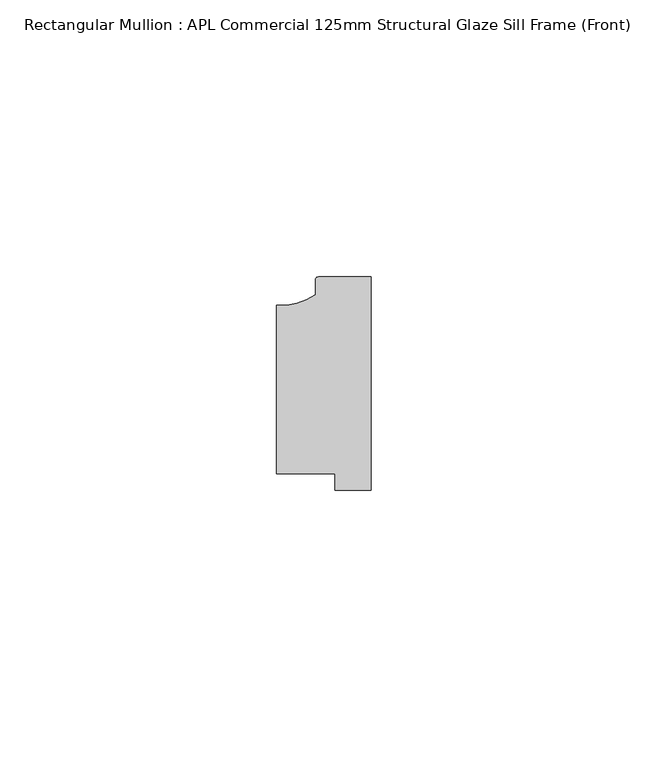
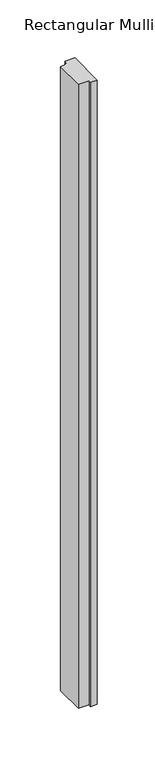
"""IFC4 building model written with IfcOpenShell, lengths in millimetres: member geometry, Rectangular Mullion : APL Commercial 125mm Structural Glaze Sill Frame (Front)."""

from ifc_helpers import new_model, si_unit, point, frame, frame_2d, origin, place, context, project, spatial, polyline, circle_curve, trimmed, segment, composite_curve, outline, extrude, source, transform, mapped, element, save


def rectangular_mullion_apl_commercial_125mm_structural_glaze_9cf67f4d(model_context):
    return source(origin(), model_context, "Body", "SweptSolid", [
        extrude(outline(composite_curve([segment(trimmed(circle_curve(frame_2d((-16.1098048, 25.7977481)), 10.4563907), [point((-16.999942, 15.3793144))], [point((-10.0, 17.3120901))], True, "CARTESIAN"), True, "CONTINUOUS"), segment(polyline([(-10.0, 17.3120901), (-10.0, 19.9980675)]), True, "CONTINUOUS"), segment(trimmed(circle_curve(frame_2d((-9.5000029, 19.99978)), 0.5), [point((-10.0, 19.9980675))], [point((-9.5000029, 20.49978))], False, "CARTESIAN"), True, "CONTINUOUS"), segment(polyline([(-9.5000029, 20.49978), (0.0, 20.49978), (0.0, -18.0281616), (-6.5000029, -18.0281616), (-6.5000029, -15.0004332), (-16.999942, -15.0004332), (-16.999942, 15.3793144)]), True, "CONTINUOUS")], self_intersect=False)), frame((0.0, 0.0, -657.513526), z_axis=(0.0, 0.0, 1.0), x_axis=(1.0, 0.0, 0.0)), (0.0, 0.0, 1.0), 657.513526),
    ])


if __name__ == "__main__":
    model = new_model("IFC4")
    model_context = context("Model", 3, world=origin())
    ifc_project = project(units=[si_unit("LENGTHUNIT", "METRE", prefix="MILLI")], contexts=[model_context])
    site = spatial("IfcSite", under=ifc_project)
    building = spatial("IfcBuilding", under=site)
    placement = place(None, origin())
    rectangular_mullion_apl_commercial_125mm_structural_glaze_shape = rectangular_mullion_apl_commercial_125mm_structural_glaze_9cf67f4d(model_context)
    element("IfcMember", 1, ObjectType="Rectangular Mullion : APL Commercial 125mm Structural Glaze Sill Frame (Front)", at=placement, inside=building, context=model_context, shape_type="MappedRepresentation", body=[
        mapped(rectangular_mullion_apl_commercial_125mm_structural_glaze_shape, transform((0.0, 0.0, 0.0), x_axis=(1.0, 0.0, 0.0), y_axis=(0.0, 1.0, 0.0), z_axis=(0.0, 0.0, 1.0))),
    ])
    save(model, "model.ifc")
